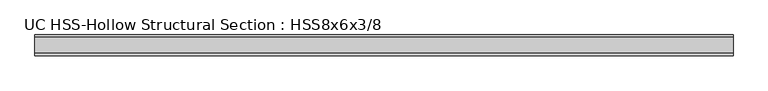
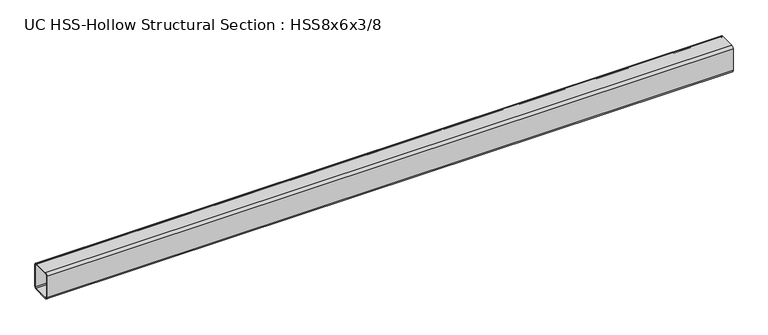
"""IFC4 building model written with IfcOpenShell, lengths in millimetres: beam geometry, UC HSS-Hollow Structural Section : HSS8x6x3/8."""

from ifc_helpers import new_model, si_unit, point, frame, frame_2d, origin, place, context, project, spatial, polyline, circle_curve, trimmed, segment, composite_curve, outline, extrude, source, transform, mapped, element, save


def uc_hss_hollow_structural_section_hss8x6x3_8_52c7f531(model_context):
    return source(origin(), model_context, "Body", "SweptSolid", [
        extrude(outline(composite_curve([segment(trimmed(circle_curve(frame_2d((-58.4708, 83.8708)), 17.7292), [point((-76.2, 83.8708))], [point((-58.4708, 101.6))], False, "CARTESIAN"), True, "CONTINUOUS"), segment(polyline([(-58.4708, 101.6), (58.4708, 101.6)]), True, "CONTINUOUS"), segment(trimmed(circle_curve(frame_2d((58.4708, 83.8708)), 17.7292), [point((58.4708, 101.6))], [point((76.2, 83.8708))], False, "CARTESIAN"), True, "CONTINUOUS"), segment(polyline([(76.2, 83.8708), (76.2, -83.8708)]), True, "CONTINUOUS"), segment(trimmed(circle_curve(frame_2d((58.4708, -83.8708)), 17.7292), [point((76.2, -83.8708))], [point((58.4708, -101.6))], False, "CARTESIAN"), True, "CONTINUOUS"), segment(polyline([(58.4708, -101.6), (-58.4708, -101.6)]), True, "CONTINUOUS"), segment(trimmed(circle_curve(frame_2d((-58.4708, -83.8708)), 17.7292), [point((-58.4708, -101.6))], [point((-76.2, -83.8708))], False, "CARTESIAN"), True, "CONTINUOUS"), segment(polyline([(-76.2, -83.8708), (-76.2, 83.8708)]), True, "CONTINUOUS")], self_intersect=False), holes=[composite_curve([segment(polyline([(58.4708, 92.7354), (-58.4708, 92.7354)]), True, "CONTINUOUS"), segment(trimmed(circle_curve(frame_2d((-58.4708, 83.8708)), 8.8646), [point((-58.4708, 92.7354))], [point((-67.3354, 83.8708))], True, "CARTESIAN"), True, "CONTINUOUS"), segment(polyline([(-67.3354, 83.8708), (-67.3354, -83.8708)]), True, "CONTINUOUS"), segment(trimmed(circle_curve(frame_2d((-58.4708, -83.8708)), 8.8646), [point((-67.3354, -83.8708))], [point((-58.4708, -92.7354))], True, "CARTESIAN"), True, "CONTINUOUS"), segment(polyline([(-58.4708, -92.7354), (58.4708, -92.7354)]), True, "CONTINUOUS"), segment(trimmed(circle_curve(frame_2d((58.4708, -83.8708)), 8.8646), [point((58.4708, -92.7354))], [point((67.3354, -83.8708))], True, "CARTESIAN"), True, "CONTINUOUS"), segment(polyline([(67.3354, -83.8708), (67.3354, 83.8708)]), True, "CONTINUOUS"), segment(trimmed(circle_curve(frame_2d((58.4708, 83.8708)), 8.8646), [point((67.3354, 83.8708))], [point((58.4708, 92.7354))], True, "CARTESIAN"), True, "CONTINUOUS")], self_intersect=False)]), frame((-2544.2411499, 0.0, 0.0), z_axis=(1.0, 0.0, 0.0), x_axis=(0.0, 1.0, 0.0)), (0.0, 0.0, 1.0), 5090.3274573),
    ])


if __name__ == "__main__":
    model = new_model("IFC4")
    model_context = context("Model", 3, world=origin())
    ifc_project = project(units=[si_unit("LENGTHUNIT", "METRE", prefix="MILLI")], contexts=[model_context])
    site = spatial("IfcSite", under=ifc_project)
    building = spatial("IfcBuilding", under=site)
    placement = place(None, origin())
    uc_hss_hollow_structural_section_hss8x6x3_8_shape = uc_hss_hollow_structural_section_hss8x6x3_8_52c7f531(model_context)
    element("IfcBeam", 1, ObjectType="UC HSS-Hollow Structural Section : HSS8x6x3/8", at=placement, inside=building, context=model_context, shape_type="MappedRepresentation", body=[
        mapped(uc_hss_hollow_structural_section_hss8x6x3_8_shape, transform((0.0, 0.0, 0.0), x_axis=(1.0, 0.0, 0.0), y_axis=(0.0, 1.0, 0.0), z_axis=(0.0, 0.0, 1.0))),
    ])
    save(model, "model.ifc")
